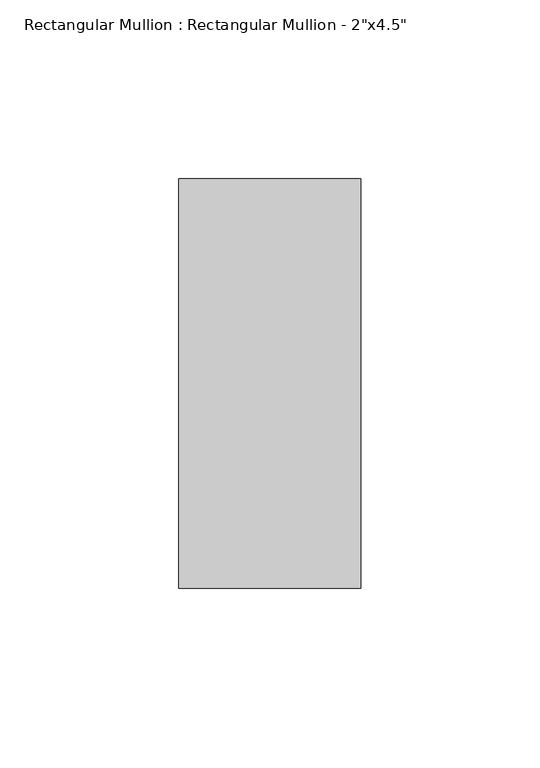
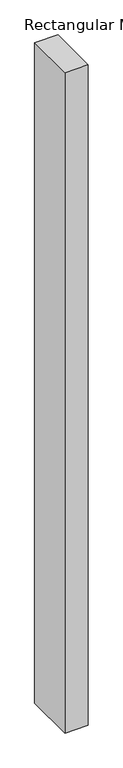
"""IFC4 building model written with IfcOpenShell, lengths in millimetres: member geometry."""

from ifc_helpers import new_model, si_unit, frame, origin, place, context, project, spatial, polyline, outline, extrude, source, transform, mapped, element, save


def member_0f30e092(model_context):
    return source(origin(), model_context, "Body", "SweptSolid", [
        extrude(outline(polyline([(25.4, 57.15), (25.4, -57.15), (-25.4, -57.15), (-25.4, 57.15), (25.4, 57.15)])), frame((0.0, 0.0, -1524.0), z_axis=(0.0, 0.0, 1.0), x_axis=(1.0, 0.0, 0.0)), (0.0, 0.0, 1.0), 1524.0),
    ])


if __name__ == "__main__":
    model = new_model("IFC4")
    model_context = context("Model", 3, world=origin())
    ifc_project = project(units=[si_unit("LENGTHUNIT", "METRE", prefix="MILLI")], contexts=[model_context])
    site = spatial("IfcSite", under=ifc_project)
    building = spatial("IfcBuilding", under=site)
    placement = place(None, origin())
    member_shape = member_0f30e092(model_context)
    element("IfcMember", 1, ObjectType="Rectangular Mullion : Rectangular Mullion - 2\"x4.5\"", at=placement, inside=building, context=model_context, shape_type="MappedRepresentation", body=[
        mapped(member_shape, transform((0.0, 0.0, 0.0), x_axis=(1.0, 0.0, 0.0), y_axis=(0.0, 1.0, 0.0), z_axis=(0.0, 0.0, 1.0))),
    ])
    save(model, "model.ifc")
